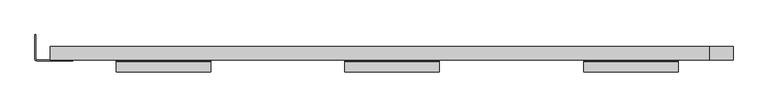
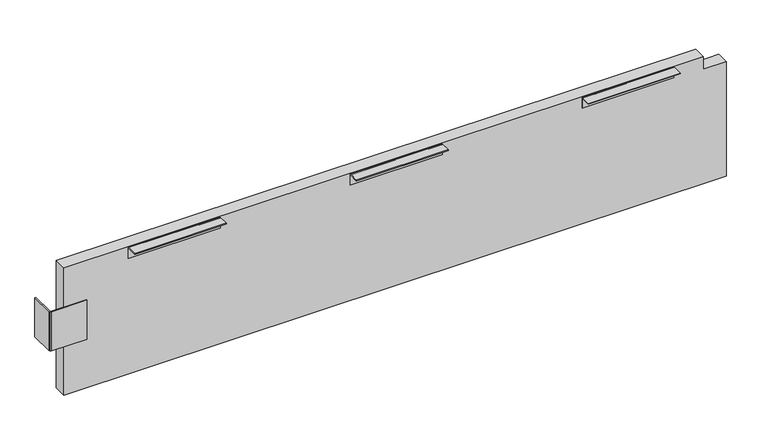
"""IFC4 building model written with IfcOpenShell, lengths in millimetres: furniture geometry."""

from ifc_helpers import new_model, si_unit, point, frame, frame_2d, origin, place, context, project, spatial, polyline, circle_curve, trimmed, segment, composite_curve, outline, extrude, source, transform, mapped, element, save


def furniture_0ded3756(model_context):
    return source(origin(), model_context, "Body", "SweptSolid", [
        extrude(outline(polyline([(681.1999901, 1472.6009571), (681.1999901, 1421.3008907), (711.1999758, 1421.3008907), (711.1999758, 4.0609102), (413.0100011, 4.0609102), (413.0100011, 1472.6009571), (681.1999901, 1472.6009571)])), frame((0.0, -325.339989, 0.0), z_axis=(0.0, 1.0, 0.0), x_axis=(0.0, 0.0, 1.0)), (0.0, 0.0, 1.0), 28.8299984),
        extrude(outline(composite_curve([segment(polyline([(-350.7400011, 709.2950048), (-350.7400011, 711.1999758), (-328.0070137, 711.1999758), (-326.121155, 710.4188461), (-325.339989, 708.5329874), (-325.339989, 685.8), (-327.2449963, 685.8), (-327.2449963, 708.5503714)]), True, "CONTINUOUS"), segment(trimmed(circle_curve(frame_2d((-327.9896297, 708.5503714)), 0.7446334), [point((-327.2449963, 708.5503714))], [point((-327.9896297, 709.2950048))], True, "CARTESIAN"), True, "CONTINUOUS"), segment(polyline([(-327.9896297, 709.2950048), (-350.7400011, 709.2950048)]), True, "CONTINUOUS")], self_intersect=False)), frame((637.8977853, 0.0, 0.0), z_axis=(1.0, 0.0, 0.0), x_axis=(0.0, 1.0, 0.0)), (0.0, 0.0, 1.0), 203.2),
        extrude(outline(composite_curve([segment(polyline([(-350.7400011, 709.2950048), (-350.7400011, 711.1999758), (-328.0070137, 711.1999758), (-326.121155, 710.4188461), (-325.339989, 708.5329874), (-325.339989, 685.8), (-327.2449963, 685.8), (-327.2449963, 708.5503714)]), True, "CONTINUOUS"), segment(trimmed(circle_curve(frame_2d((-327.9896297, 708.5503714)), 0.7446334), [point((-327.2449963, 708.5503714))], [point((-327.9896297, 709.2950048))], True, "CARTESIAN"), True, "CONTINUOUS"), segment(polyline([(-327.9896297, 709.2950048), (-350.7400011, 709.2950048)]), True, "CONTINUOUS")], self_intersect=False)), frame((1151.8509103, 0.0, 0.0), z_axis=(1.0, 0.0, 0.0), x_axis=(0.0, 1.0, 0.0)), (0.0, 0.0, 1.0), 203.2),
        extrude(outline(composite_curve([segment(polyline([(-350.7400011, 709.2950048), (-350.7400011, 711.1999758), (-328.0070137, 711.1999758), (-326.121155, 710.4188461), (-325.339989, 708.5329874), (-325.339989, 685.8), (-327.2449963, 685.8), (-327.2449963, 708.5503714)]), True, "CONTINUOUS"), segment(trimmed(circle_curve(frame_2d((-327.9896297, 708.5503714)), 0.7446334), [point((-327.2449963, 708.5503714))], [point((-327.9896297, 709.2950048))], True, "CARTESIAN"), True, "CONTINUOUS"), segment(polyline([(-327.9896297, 709.2950048), (-350.7400011, 709.2950048)]), True, "CONTINUOUS")], self_intersect=False)), frame((146.0959103, 0.0, 0.0), z_axis=(1.0, 0.0, 0.0), x_axis=(0.0, 1.0, 0.0)), (0.0, 0.0, 1.0), 203.2),
        extrude(outline(polyline([(-28.6499886, -270.7700096), (-26.6499903, -270.7700096), (-26.6499903, -323.3400021), (-26.0642044, -324.7542326), (-24.6499898, -325.339989), (53.1100122, -325.339989), (53.1100122, -327.3400123), (-24.6499898, -327.3400123), (-27.4784168, -326.1684268), (-28.6499886, -323.3400021), (-28.6499886, -270.7700096)])), frame((0.0, 0.0, 528.1939951), z_axis=(0.0, 0.0, 1.0), x_axis=(1.0, 0.0, 0.0)), (0.0, 0.0, 1.0), 92.0749758),
    ])


if __name__ == "__main__":
    model = new_model("IFC4")
    model_context = context("Model", 3, world=origin())
    ifc_project = project(units=[si_unit("LENGTHUNIT", "METRE", prefix="MILLI")], contexts=[model_context])
    site = spatial("IfcSite", under=ifc_project)
    building = spatial("IfcBuilding", under=site)
    placement = place(None, origin())
    furniture_shape = furniture_0ded3756(model_context)
    element("IfcFurniture", 1, at=placement, inside=building, context=model_context, shape_type="MappedRepresentation", body=[
        mapped(furniture_shape, transform((0.0, 0.0, 0.0), x_axis=(1.0, 0.0, 0.0), y_axis=(0.0, 1.0, 0.0), z_axis=(0.0, 0.0, 1.0))),
    ])
    save(model, "model.ifc")
